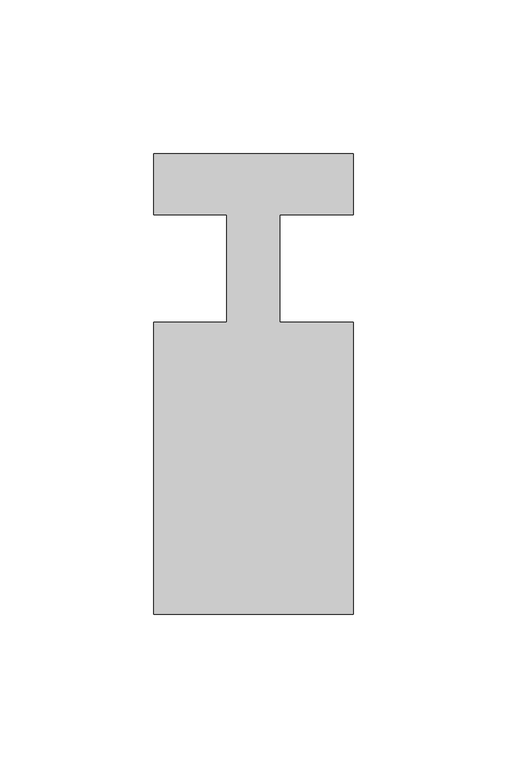
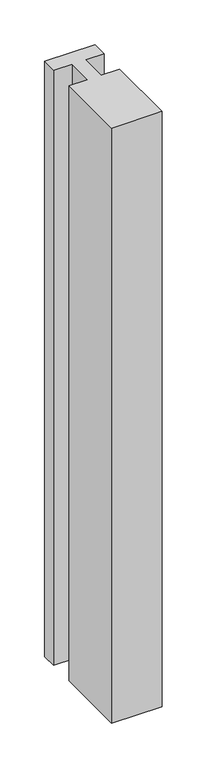
"""IFC4 building model written with IfcOpenShell, lengths in millimetres: member geometry."""

from ifc_helpers import new_model, si_unit, frame, origin, place, context, project, spatial, polyline, outline, extrude, source, transform, mapped, element, save


def member_95a5fc34(model_context):
    return source(origin(), model_context, "Body", "SweptSolid", [
        extrude(outline(polyline([(-65.0, 37.0), (0.0, 37.0), (0.0, 17.0), (-23.8125, 17.0), (-23.8125, -18.0), (0.0, -18.0), (0.0, -113.0), (-65.0, -113.0), (-65.0, -18.0), (-41.1875, -18.0), (-41.1875, 17.0), (-65.0, 17.0), (-65.0, 37.0)])), frame((0.0, 0.0, -811.5651835), z_axis=(0.0, 0.0, 1.0), x_axis=(1.0, 0.0, 0.0)), (0.0, 0.0, 1.0), 811.5651835),
    ])


if __name__ == "__main__":
    model = new_model("IFC4")
    model_context = context("Model", 3, world=origin())
    ifc_project = project(units=[si_unit("LENGTHUNIT", "METRE", prefix="MILLI")], contexts=[model_context])
    site = spatial("IfcSite", under=ifc_project)
    building = spatial("IfcBuilding", under=site)
    placement = place(None, origin())
    member_shape = member_95a5fc34(model_context)
    element("IfcMember", 1, at=placement, inside=building, context=model_context, shape_type="MappedRepresentation", body=[
        mapped(member_shape, transform((0.0, 0.0, 0.0), x_axis=(1.0, 0.0, 0.0), y_axis=(0.0, 1.0, 0.0), z_axis=(0.0, 0.0, 1.0))),
    ])
    save(model, "model.ifc")
